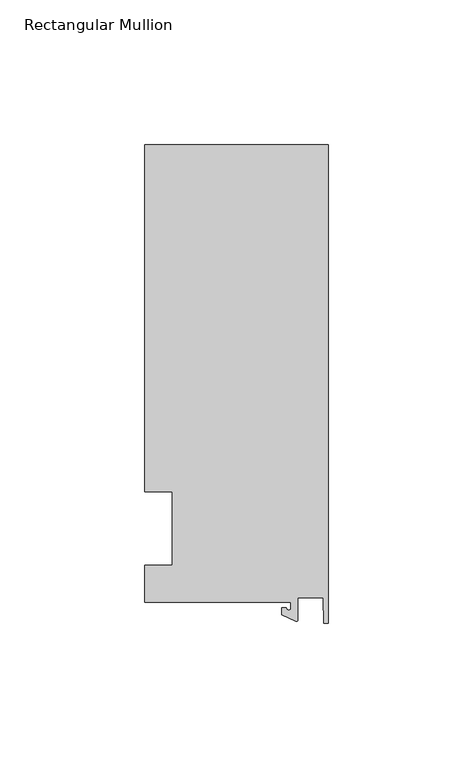
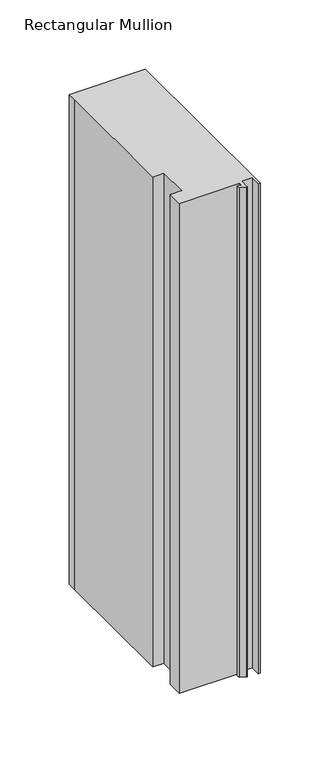
"""IFC4 building model written with IfcOpenShell, lengths in millimetres: member geometry, Rectangular Mullion."""

from ifc_helpers import new_model, si_unit, point, frame, frame_2d, origin, place, context, project, spatial, polyline, circle_curve, trimmed, segment, composite_curve, outline, extrude, source, transform, mapped, element, save


def rectangular_mullion_6154c138(model_context):
    return source(origin(), model_context, "Body", "SweptSolid", [
        extrude(outline(composite_curve([segment(polyline([(-12.8216721, -25.5984375), (-63.5, -25.5984375), (-63.5, -12.7), (-53.975, -12.7), (-53.975, 12.7), (-63.5, 12.7), (-63.5, 125.075512), (-63.5, 132.822512), (0.0, 132.822512), (0.0, -32.810012), (-1.5566453, -32.810012), (-1.7144124, -23.9227662), (-10.4340721, -23.9227662), (-10.4340721, -31.6795354)]), True, "CONTINUOUS"), segment(trimmed(circle_curve(frame_2d((-10.9420721, -31.6795354)), 0.508), [point((-10.4340721, -31.6795354))], [point((-11.1567622, -32.1399398))], False, "CARTESIAN"), True, "CONTINUOUS"), segment(polyline([(-11.1567622, -32.1399398), (-15.9966721, -29.8830527), (-15.9966721, -27.5208534), (-14.4091721, -27.5208534)]), True, "CONTINUOUS"), segment(trimmed(circle_curve(frame_2d((-13.6154221, -27.5208534)), 0.79375), [point((-14.4091721, -27.5208534))], [point((-12.8216721, -27.5208534))], True, "CARTESIAN"), True, "CONTINUOUS"), segment(polyline([(-12.8216721, -27.5208534), (-12.8216721, -25.5984375)]), True, "CONTINUOUS")], self_intersect=False)), frame((0.0, 0.0, -431.8), z_axis=(0.0, 0.0, 1.0), x_axis=(1.0, 0.0, 0.0)), (0.0, 0.0, 1.0), 431.8),
    ])


if __name__ == "__main__":
    model = new_model("IFC4")
    model_context = context("Model", 3, world=origin())
    ifc_project = project(units=[si_unit("LENGTHUNIT", "METRE", prefix="MILLI")], contexts=[model_context])
    site = spatial("IfcSite", under=ifc_project)
    building = spatial("IfcBuilding", under=site)
    placement = place(None, origin())
    rectangular_mullion_shape = rectangular_mullion_6154c138(model_context)
    element("IfcMember", 1, ObjectType="Rectangular Mullion", at=placement, inside=building, context=model_context, shape_type="MappedRepresentation", body=[
        mapped(rectangular_mullion_shape, transform((0.0, 0.0, 0.0), x_axis=(1.0, 0.0, 0.0), y_axis=(0.0, 1.0, 0.0), z_axis=(0.0, 0.0, 1.0))),
    ])
    save(model, "model.ifc")
